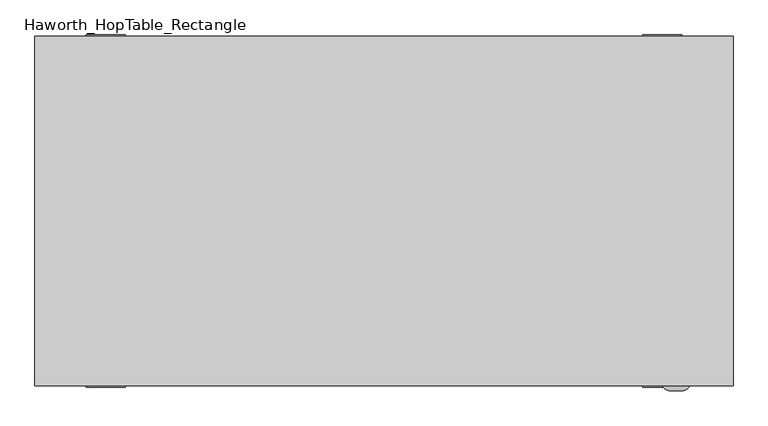
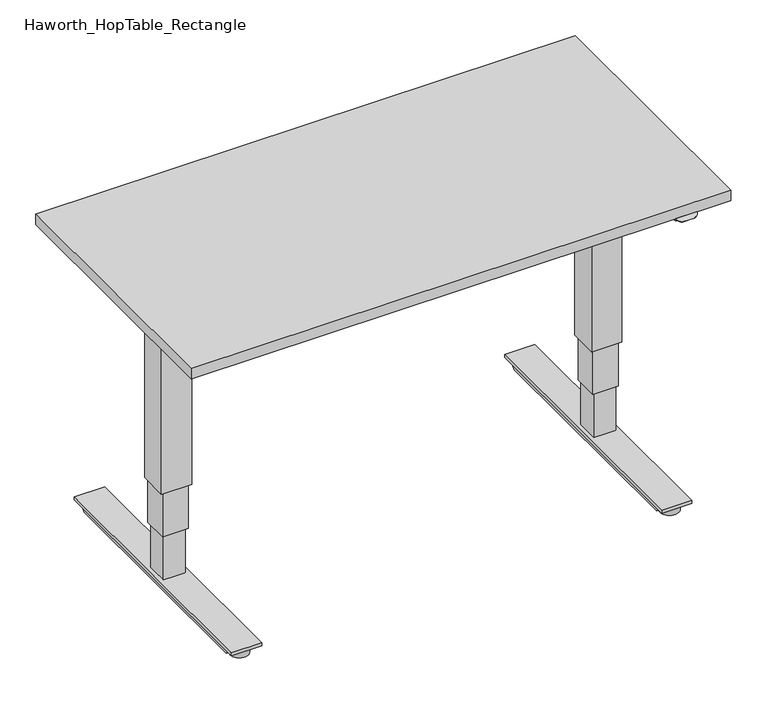
"""IFC4 building model written with IfcOpenShell, lengths in millimetres: furniture geometry, Haworth_HopTable_Rectangle."""

from ifc_helpers import new_model, si_unit, point, frame, frame_2d, origin, origin_with_axes, place, context, project, spatial, polyline, circle_curve, ellipse_curve, trimmed, segment, composite_curve, outline, extrude, source, transform, mapped, element, save
from ifc_brep_helpers import plane_surface, extruded_surface, advanced_brep


def haworth_hoptable_rectangle_583a60a9(model_context):
    return source(origin(), model_context, "Body", "SolidModel", [
        extrude(outline(composite_curve([segment(trimmed(circle_curve(frame_2d((37.7285107, 9.0135115)), 23.2189485), [point((59.1265522, 0.0))], [point((45.2850626, -12.941399))], False, "CARTESIAN"), True, "CONTINUOUS"), segment(trimmed(circle_curve(frame_2d((29.6386766, -253.912974)), 241.479004), [point((45.2850626, -12.941399))], [point((13.9922906, -12.941399))], True, "CARTESIAN"), True, "CONTINUOUS"), segment(trimmed(circle_curve(frame_2d((21.673805, 9.3988429)), 23.6239723), [point((13.9922906, -12.941399))], [point((0.0, 0.0))], False, "CARTESIAN"), True, "CONTINUOUS"), segment(polyline([(0.0, 0.0), (59.1265522, 0.0)]), True, "CONTINUOUS")], self_intersect=False)), frame((586.4563525, -367.1321798, 856.8147761), z_axis=(0.0, -0.4999999999999757, 0.8660254037844528), x_axis=(1.0, 0.0, 0.0)), (0.0, 0.0, 1.0), 2.3356404),
        advanced_brep(
        [(586.5335207, -368.3, 852.6720303), (645.6209544, -368.3, 852.6720303), (586.5335207, -368.3, 858.8375), (645.6209544, -368.3, 858.8375)],
        [
            (0, 1, ellipse_curve(frame((616.0771096, -358.9968806, 852.6720303), z_axis=(0.0, 0.0, -1.0), x_axis=(0.999999999701082, -2.445068643363226e-05, 0.0)), 31.75, 25.4)),
            (1, 0),
            (2, 3),
            (3, 2, ellipse_curve(frame((616.0771096, -358.9968806, 858.8375), z_axis=(0.0, 0.0, 1.0), x_axis=(0.999999999701082, -2.445068643363226e-05, 0.0)), 31.75, 25.4)),
            (0, 2),
            (3, 1),
        ],
        [
            plane_surface(frame((647.8271096, -358.997657, 852.6720303), z_axis=(0.0, 0.0, -1.0), x_axis=(-2.4450686433632264e-05, -0.999999999701082, 0.0))),
            plane_surface(frame((647.8271096, -358.997657, 858.8375), z_axis=(0.0, 0.0, 1.0), x_axis=(2.4450686433632264e-05, 0.999999999701082, 0.0))),
            extruded_surface(trimmed(ellipse_curve(frame((616.0771096, -358.9968806, 865.0029697), z_axis=(0.0, 0.0, -1.0), x_axis=(0.999999999701082, -2.445068643363226e-05, 0.0)), 31.75, 25.4), [point((586.5335207, -368.3, 865.0029697))], [point((645.6209544, -368.3, 865.0029697))], True, "CARTESIAN"), (0.0, 0.0, -6.165469700000017), 6.165469700000017),
            plane_surface(frame((645.6209544, -368.3, 852.6720303), z_axis=(0.0, -1.0, 0.0), x_axis=(0.0, 0.0, 1.0))),
        ],
        [
            (0, [[1, 2]]),
            (1, [[3, 4]]),
            (2, [[-1, 5, -4, 6]]),
            (3, [[-2, -6, -3, -5]]),
        ],
    ),
        extrude(outline(polyline([(-336.55, 6.9341028), (-352.425, 23.7354176), (352.425, 23.7354176), (336.55, 6.9341028), (-336.55, 6.9341028)])), frame((552.45, 0.0, 0.0), z_axis=(1.0, 0.0, 0.0), x_axis=(0.0, 1.0, 0.0)), (0.0, 0.0, 1.0), 69.85),
        extrude(outline(polyline([(314.0097576, 827.8323915), (314.0097576, 858.8375), (352.425, 858.8375), (352.425, 852.4683423), (314.0097576, 827.8323915)])), frame((628.65, 0.0, 0.0), z_axis=(1.0, 0.0, 0.0), x_axis=(0.0, 1.0, 0.0)), (0.0, 0.0, 1.0), 27.7950983),
        extrude(outline(polyline([(-314.0097576, 858.8375), (-314.0097576, 827.8323915), (-352.425, 852.4683423), (-352.425, 858.8375), (-314.0097576, 858.8375)])), frame((628.65, 0.0, 0.0), z_axis=(1.0, 0.0, 0.0), x_axis=(0.0, 1.0, 0.0)), (0.0, 0.0, 1.0), 27.7950983),
        extrude(outline(polyline([(628.65, -314.0097576), (628.65, 314.0097576), (656.4450983, 314.0097576), (656.4450983, -314.0097576), (628.65, -314.0097576)])), frame((0.0, 0.0, 827.8323915), z_axis=(0.0, 0.0, 1.0), x_axis=(1.0, 0.0, 0.0)), (0.0, 0.0, 1.0), 31.0051085),
        extrude(outline(polyline([(-83.9999963, 852.2661752), (-83.9999963, 858.8375), (83.9999963, 858.8375), (83.9999963, 852.2661752), (60.0715843, 852.2661752), (60.0715843, 773.2466246), (-60.0715843, 773.2466246), (-60.0715843, 852.2661752), (-83.9999963, 852.2661752)])), frame((546.1, 0.0, 0.0), z_axis=(1.0, 0.0, 0.0), x_axis=(0.0, 1.0, 0.0)), (0.0, 0.0, 1.0), 82.55),
        extrude(outline(polyline([(546.1, 39.999993), (628.65, 39.999993), (628.65, -39.999993), (546.1, -39.999993), (546.1, 39.999993)])), frame((0.0, 0.0, 289.246598), z_axis=(0.0, 0.0, 1.0), x_axis=(1.0, 0.0, 0.0)), (0.0, 0.0, 1.0), 484.0000266),
        extrude(outline(polyline([(552.45, 35.0000075), (622.3, 35.0000075), (622.3, -35.0000075), (552.45, -35.0000075), (552.45, 35.0000075)])), frame((0.0, 0.0, 160.4915085), z_axis=(0.0, 0.0, 1.0), x_axis=(1.0, 0.0, 0.0)), (0.0, 0.0, 1.0), 128.7550895),
        extrude(outline(polyline([(557.3750007, 29.9999857), (617.3749993, 29.9999857), (617.3749993, -29.9999857), (557.3750007, -29.9999857), (557.3750007, 29.9999857)])), frame((0.0, 0.0, 31.736419), z_axis=(0.0, 0.0, 1.0), x_axis=(1.0, 0.0, 0.0)), (0.0, 0.0, 1.0), 128.7550895),
        extrude(outline(composite_curve([segment(trimmed(circle_curve(frame_2d((587.375, 336.55)), 25.4), [point((612.775, 336.55))], [point((561.975, 336.55))], False, "CARTESIAN"), True, "CONTINUOUS"), segment(trimmed(circle_curve(frame_2d((587.375, 336.55)), 25.4), [point((561.975, 336.55))], [point((612.775, 336.55))], False, "CARTESIAN"), True, "CONTINUOUS")], self_intersect=False)), origin_with_axes(), (0.0, 0.0, 1.0), 23.7354176),
        extrude(outline(composite_curve([segment(trimmed(circle_curve(frame_2d((587.375, -336.55)), 25.4), [point((612.775, -336.55))], [point((561.975, -336.55))], False, "CARTESIAN"), True, "CONTINUOUS"), segment(trimmed(circle_curve(frame_2d((587.375, -336.55)), 25.4), [point((561.975, -336.55))], [point((612.775, -336.55))], False, "CARTESIAN"), True, "CONTINUOUS")], self_intersect=False)), origin_with_axes(), (0.0, 0.0, 1.0), 23.7354176),
        extrude(outline(polyline([(546.1, 371.475), (628.65, 371.475), (628.65, -371.475), (546.1, -371.475), (546.1, 371.475)])), frame((0.0, 0.0, 23.7354176), z_axis=(0.0, 0.0, 1.0), x_axis=(1.0, 0.0, 0.0)), (0.0, 0.0, 1.0), 8.0010015),
        extrude(outline(polyline([(-336.55, 6.9341028), (-352.425, 23.7354176), (352.425, 23.7354176), (336.55, 6.9341028), (-336.55, 6.9341028)])), frame((-622.3, 0.0, 0.0), z_axis=(1.0, 0.0, 0.0), x_axis=(0.0, 1.0, 0.0)), (0.0, 0.0, 1.0), 69.85),
        extrude(outline(polyline([(314.0097576, 827.8323915), (314.0097576, 858.8375), (352.425, 858.8375), (352.425, 852.4683423), (314.0097576, 827.8323915)])), frame((-656.4450983, 0.0, 0.0), z_axis=(1.0, 0.0, 0.0), x_axis=(0.0, 1.0, 0.0)), (0.0, 0.0, 1.0), 27.7950983),
        extrude(outline(polyline([(-314.0097576, 858.8375), (-314.0097576, 827.8323915), (-352.425, 852.4683423), (-352.425, 858.8375), (-314.0097576, 858.8375)])), frame((-656.4450983, 0.0, 0.0), z_axis=(1.0, 0.0, 0.0), x_axis=(0.0, 1.0, 0.0)), (0.0, 0.0, 1.0), 27.7950983),
        extrude(outline(polyline([(-628.65, -314.0097576), (-656.4450983, -314.0097576), (-656.4450983, 314.0097576), (-628.65, 314.0097576), (-628.65, -314.0097576)])), frame((0.0, 0.0, 827.8323915), z_axis=(0.0, 0.0, 1.0), x_axis=(1.0, 0.0, 0.0)), (0.0, 0.0, 1.0), 31.0051085),
        extrude(outline(polyline([(-83.9999963, 852.2661752), (-83.9999963, 858.8375), (83.9999963, 858.8375), (83.9999963, 852.2661752), (60.0715843, 852.2661752), (60.0715843, 773.2466246), (-60.0715843, 773.2466246), (-60.0715843, 852.2661752), (-83.9999963, 852.2661752)])), frame((-628.65, 0.0, 0.0), z_axis=(1.0, 0.0, 0.0), x_axis=(0.0, 1.0, 0.0)), (0.0, 0.0, 1.0), 82.55),
        extrude(outline(polyline([(-546.1, 39.999993), (-546.1, -39.999993), (-628.65, -39.999993), (-628.65, 39.999993), (-546.1, 39.999993)])), frame((0.0, 0.0, 289.246598), z_axis=(0.0, 0.0, 1.0), x_axis=(1.0, 0.0, 0.0)), (0.0, 0.0, 1.0), 484.0000266),
        extrude(outline(polyline([(-552.45, 35.0000075), (-552.45, -35.0000075), (-622.3, -35.0000075), (-622.3, 35.0000075), (-552.45, 35.0000075)])), frame((0.0, 0.0, 160.4915085), z_axis=(0.0, 0.0, 1.0), x_axis=(1.0, 0.0, 0.0)), (0.0, 0.0, 1.0), 128.7550895),
        extrude(outline(polyline([(-557.3750007, 29.9999857), (-557.3750007, -29.9999857), (-617.3749993, -29.9999857), (-617.3749993, 29.9999857), (-557.3750007, 29.9999857)])), frame((0.0, 0.0, 31.736419), z_axis=(0.0, 0.0, 1.0), x_axis=(1.0, 0.0, 0.0)), (0.0, 0.0, 1.0), 128.7550895),
        extrude(outline(composite_curve([segment(trimmed(circle_curve(frame_2d((-587.375, 336.55)), 25.4), [point((-612.775, 336.55))], [point((-561.975, 336.55))], False, "CARTESIAN"), True, "CONTINUOUS"), segment(trimmed(circle_curve(frame_2d((-587.375, 336.55)), 25.4), [point((-561.975, 336.55))], [point((-612.775, 336.55))], False, "CARTESIAN"), True, "CONTINUOUS")], self_intersect=False)), origin_with_axes(), (0.0, 0.0, 1.0), 23.7354176),
        extrude(outline(composite_curve([segment(trimmed(circle_curve(frame_2d((-587.375, -336.55)), 25.4), [point((-612.775, -336.55))], [point((-561.975, -336.55))], False, "CARTESIAN"), True, "CONTINUOUS"), segment(trimmed(circle_curve(frame_2d((-587.375, -336.55)), 25.4), [point((-561.975, -336.55))], [point((-612.775, -336.55))], False, "CARTESIAN"), True, "CONTINUOUS")], self_intersect=False)), origin_with_axes(), (0.0, 0.0, 1.0), 23.7354176),
        extrude(outline(polyline([(-546.1, 371.475), (-546.1, -371.475), (-628.65, -371.475), (-628.65, 371.475), (-546.1, 371.475)])), frame((0.0, 0.0, 23.7354176), z_axis=(0.0, 0.0, 1.0), x_axis=(1.0, 0.0, 0.0)), (0.0, 0.0, 1.0), 8.0010015),
        extrude(outline(polyline([(546.1, 60.0715843), (546.1, -60.0715843), (-546.1, -60.0715843), (-546.1, 60.0715843), (546.1, 60.0715843)])), frame((0.0, 0.0, 773.2466246), z_axis=(0.0, 0.0, 1.0), x_axis=(1.0, 0.0, 0.0)), (0.0, 0.0, 1.0), 85.5908754),
        extrude(outline(polyline([(736.6, 368.3), (736.6, -368.3), (-736.6, -368.3), (-736.6, 368.3), (736.6, 368.3)])), frame((0.0, 0.0, 858.8375), z_axis=(0.0, 0.0, 1.0), x_axis=(1.0, 0.0, 0.0)), (0.0, 0.0, 1.0), 30.1625),
    ])


if __name__ == "__main__":
    model = new_model("IFC4")
    model_context = context("Model", 3, world=origin())
    ifc_project = project(units=[si_unit("LENGTHUNIT", "METRE", prefix="MILLI")], contexts=[model_context])
    site = spatial("IfcSite", under=ifc_project)
    building = spatial("IfcBuilding", under=site)
    placement = place(None, origin())
    haworth_hoptable_rectangle_shape = haworth_hoptable_rectangle_583a60a9(model_context)
    element("IfcFurniture", 1, ObjectType="Haworth_HopTable_Rectangle", at=placement, inside=building, context=model_context, shape_type="MappedRepresentation", body=[
        mapped(haworth_hoptable_rectangle_shape, transform((0.0, 0.0, 0.0), x_axis=(1.0, 0.0, 0.0), y_axis=(0.0, 1.0, 0.0), z_axis=(0.0, 0.0, 1.0))),
    ])
    save(model, "model.ifc")
